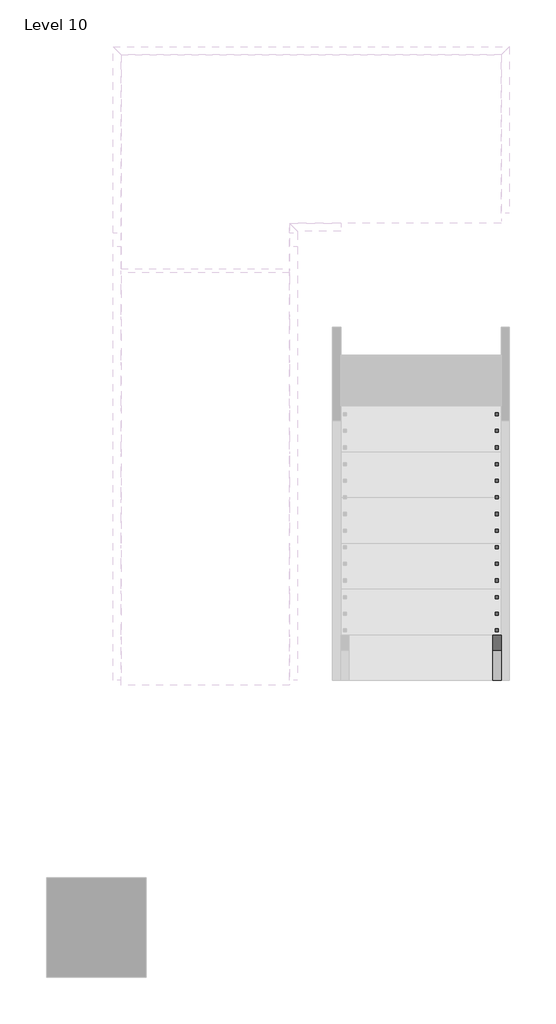
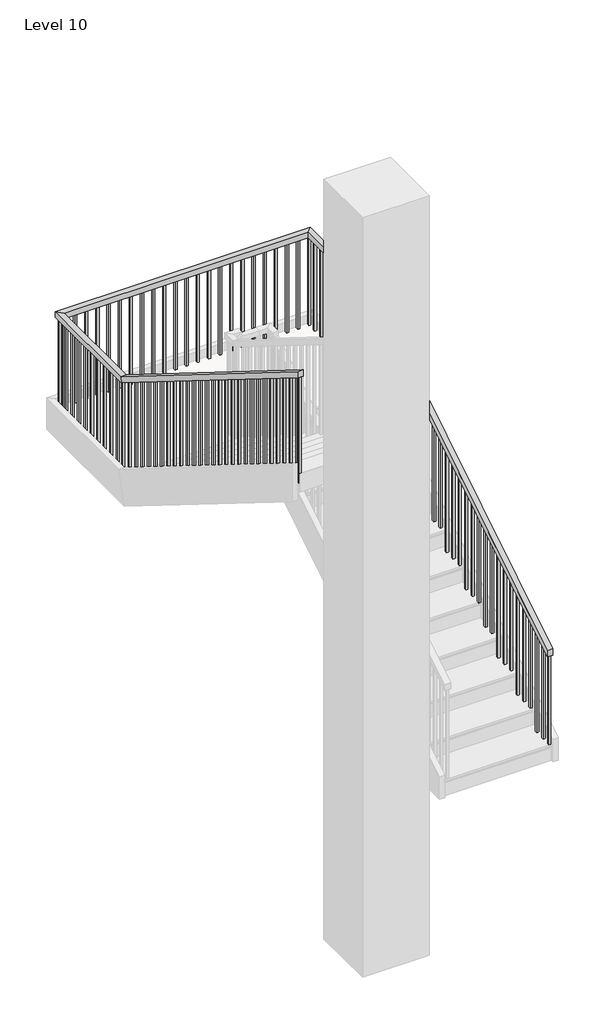
# One storey, part 15 of 16: 1 railing.
"""IFC4 building model written with IfcOpenShell, lengths in millimetres."""

from ifc_helpers import new_model, si_unit, frame, origin, place, context, project, spatial, polyline, outline, extrude, faceted_brep, element, save

model = new_model("IFC4")

# Units and contexts
model_context = context("Model", 3, world=origin())
ifc_project = project(units=[si_unit("LENGTHUNIT", "METRE", prefix="MILLI")], contexts=[model_context])

# Site, building, storey
site = spatial("IfcSite", under=ifc_project)
building = spatial("IfcBuilding", under=site)
storey = spatial("IfcBuildingStorey", under=building, Name="Level 10", Elevation=36118.8)

# Railing
placement = place(None, origin())
element("IfcRailing", 1, ObjectType="Handrail - Rectangular", at=placement, inside=storey, context=model_context, shape_type="SolidModel", body=[
    faceted_brep([(8455.0069555, 2625.4460566, 37207.3714286), (8455.0069555, 2625.4460566, 37147.5093152), (8505.8069555, 2625.4460566, 37147.5093152), (8505.8069555, 2625.4460566, 37207.3714286), (8455.0069555, 5419.4460566, 38949.0857143), (8455.0069555, 5433.9831967, 38898.2857143), (8505.8069555, 5433.9831967, 38898.2857143), (8505.8069555, 5419.4460566, 38949.0857143), (8455.0069555, 6396.9720312, 38949.0857143), (8455.0069555, 6396.9720312, 38898.2857143), (8505.8069555, 6447.7720312, 38898.2857143), (8505.8069555, 6447.7720312, 38949.0857143), (6232.5069555, 6396.9720312, 38949.0857143), (6232.5069555, 6396.9720312, 38898.2857143), (6181.7069555, 6447.7720312, 38898.2857143), (6181.7069555, 6447.7720312, 38949.0857143), (6232.5069555, 5419.4460566, 38949.0857143), (6232.5069555, 5404.9089165, 38898.2857143), (6181.7069555, 5404.9089165, 38898.2857143), (6181.7069555, 5419.4460566, 38949.0857143), (6232.5069555, 2625.4460566, 40690.8), (6181.7069555, 2625.4460566, 40690.8), (6181.7069555, 2625.4460566, 40630.9378867), (6232.5069555, 2625.4460566, 40630.9378867)], [[[0, 1, 2, 3]], [[1, 0, 4, 5]], [[2, 1, 5, 6]], [[3, 2, 6, 7]], [[0, 3, 7, 4]], [[5, 4, 8, 9]], [[6, 5, 9, 10]], [[7, 6, 10, 11]], [[4, 7, 11, 8]], [[9, 8, 12, 13]], [[10, 9, 13, 14]], [[11, 10, 14, 15]], [[8, 11, 15, 12]], [[13, 12, 16, 17]], [[14, 13, 17, 18]], [[15, 14, 18, 19]], [[12, 15, 19, 16]], [[20, 21, 22, 23]], [[17, 16, 20, 23]], [[18, 17, 23, 22]], [[19, 18, 22, 21]], [[16, 19, 21, 20]]]),
    extrude(outline(polyline([(2666.7210566, 40605.2080165), (2685.7710566, 40593.3326919), (2685.7710566, 39602.2285714), (2666.7210566, 39602.2285714), (2666.7210566, 40605.2080165)])), frame((6197.5819555, 0.0, 0.0), z_axis=(1.0, 0.0, 0.0), x_axis=(0.0, 1.0, 0.0)), (0.0, 0.0, 1.0), 19.05),
    extrude(outline(polyline([(2768.3210566, 40541.8729516), (2787.3710566, 40529.9976269), (2787.3710566, 39602.2285714), (2768.3210566, 39602.2285714), (2768.3210566, 40541.8729516)])), frame((6197.5819555, 0.0, 0.0), z_axis=(1.0, 0.0, 0.0), x_axis=(0.0, 1.0, 0.0)), (0.0, 0.0, 1.0), 19.05),
    extrude(outline(polyline([(2869.9210566, 40478.5378867), (2888.9710566, 40466.662562), (2888.9710566, 39602.2285714), (2869.9210566, 39602.2285714), (2869.9210566, 40478.5378867)])), frame((6197.5819555, 0.0, 0.0), z_axis=(1.0, 0.0, 0.0), x_axis=(0.0, 1.0, 0.0)), (0.0, 0.0, 1.0), 19.05),
    extrude(outline(polyline([(2971.5210566, 40415.2028217), (2990.5710566, 40403.3274971), (2990.5710566, 39428.0571429), (2971.5210566, 39428.0571429), (2971.5210566, 40415.2028217)])), frame((6197.5819555, 0.0, 0.0), z_axis=(1.0, 0.0, 0.0), x_axis=(0.0, 1.0, 0.0)), (0.0, 0.0, 1.0), 19.05),
    extrude(outline(polyline([(3073.1210566, 40351.8677568), (3092.1710566, 40339.9924321), (3092.1710566, 39428.0571429), (3073.1210566, 39428.0571429), (3073.1210566, 40351.8677568)])), frame((6197.5819555, 0.0, 0.0), z_axis=(1.0, 0.0, 0.0), x_axis=(0.0, 1.0, 0.0)), (0.0, 0.0, 1.0), 19.05),
    extrude(outline(polyline([(3174.7210566, 40288.5326919), (3193.7710566, 40276.6573672), (3193.7710566, 39428.0571429), (3174.7210566, 39428.0571429), (3174.7210566, 40288.5326919)])), frame((6197.5819555, 0.0, 0.0), z_axis=(1.0, 0.0, 0.0), x_axis=(0.0, 1.0, 0.0)), (0.0, 0.0, 1.0), 19.05),
    extrude(outline(polyline([(3276.3210566, 40225.1976269), (3295.3710566, 40213.3223023), (3295.3710566, 39253.8857143), (3276.3210566, 39253.8857143), (3276.3210566, 40225.1976269)])), frame((6197.5819555, 0.0, 0.0), z_axis=(1.0, 0.0, 0.0), x_axis=(0.0, 1.0, 0.0)), (0.0, 0.0, 1.0), 19.05),
    extrude(outline(polyline([(3377.9210566, 40161.862562), (3396.9710566, 40149.9872373), (3396.9710566, 39253.8857143), (3377.9210566, 39253.8857143), (3377.9210566, 40161.862562)])), frame((6197.5819555, 0.0, 0.0), z_axis=(1.0, 0.0, 0.0), x_axis=(0.0, 1.0, 0.0)), (0.0, 0.0, 1.0), 19.05),
    extrude(outline(polyline([(3479.5210566, 40098.5274971), (3498.5710566, 40086.6521724), (3498.5710566, 39079.7142857), (3479.5210566, 39079.7142857), (3479.5210566, 40098.5274971)])), frame((6197.5819555, 0.0, 0.0), z_axis=(1.0, 0.0, 0.0), x_axis=(0.0, 1.0, 0.0)), (0.0, 0.0, 1.0), 19.05),
    extrude(outline(polyline([(3581.1210566, 40035.1924321), (3600.1710566, 40023.3171074), (3600.1710566, 39079.7142857), (3581.1210566, 39079.7142857), (3581.1210566, 40035.1924321)])), frame((6197.5819555, 0.0, 0.0), z_axis=(1.0, 0.0, 0.0), x_axis=(0.0, 1.0, 0.0)), (0.0, 0.0, 1.0), 19.05),
    extrude(outline(polyline([(3682.7210566, 39971.8573672), (3701.7710566, 39959.9820425), (3701.7710566, 39079.7142857), (3682.7210566, 39079.7142857), (3682.7210566, 39971.8573672)])), frame((6197.5819555, 0.0, 0.0), z_axis=(1.0, 0.0, 0.0), x_axis=(0.0, 1.0, 0.0)), (0.0, 0.0, 1.0), 19.05),
    extrude(outline(polyline([(3784.3210566, 39908.5223023), (3803.3710566, 39896.6469776), (3803.3710566, 38905.5428571), (3784.3210566, 38905.5428571), (3784.3210566, 39908.5223023)])), frame((6197.5819555, 0.0, 0.0), z_axis=(1.0, 0.0, 0.0), x_axis=(0.0, 1.0, 0.0)), (0.0, 0.0, 1.0), 19.05),
    extrude(outline(polyline([(3885.9210566, 39845.1872373), (3904.9710566, 39833.3119126), (3904.9710566, 38905.5428571), (3885.9210566, 38905.5428571), (3885.9210566, 39845.1872373)])), frame((6197.5819555, 0.0, 0.0), z_axis=(1.0, 0.0, 0.0), x_axis=(0.0, 1.0, 0.0)), (0.0, 0.0, 1.0), 19.05),
    extrude(outline(polyline([(3987.5210566, 39781.8521724), (4006.5710566, 39769.9768477), (4006.5710566, 38905.5428571), (3987.5210566, 38905.5428571), (3987.5210566, 39781.8521724)])), frame((6197.5819555, 0.0, 0.0), z_axis=(1.0, 0.0, 0.0), x_axis=(0.0, 1.0, 0.0)), (0.0, 0.0, 1.0), 19.05),
    extrude(outline(polyline([(4089.1210566, 39718.5171074), (4108.1710566, 39706.6417828), (4108.1710566, 38731.3714286), (4089.1210566, 38731.3714286), (4089.1210566, 39718.5171074)])), frame((6197.5819555, 0.0, 0.0), z_axis=(1.0, 0.0, 0.0), x_axis=(0.0, 1.0, 0.0)), (0.0, 0.0, 1.0), 19.05),
    extrude(outline(polyline([(4190.7210566, 39655.1820425), (4209.7710566, 39643.3067178), (4209.7710566, 38731.3714286), (4190.7210566, 38731.3714286), (4190.7210566, 39655.1820425)])), frame((6197.5819555, 0.0, 0.0), z_axis=(1.0, 0.0, 0.0), x_axis=(0.0, 1.0, 0.0)), (0.0, 0.0, 1.0), 19.05),
    extrude(outline(polyline([(4292.3210566, 39591.8469776), (4311.3710566, 39579.9716529), (4311.3710566, 38731.3714286), (4292.3210566, 38731.3714286), (4292.3210566, 39591.8469776)])), frame((6197.5819555, 0.0, 0.0), z_axis=(1.0, 0.0, 0.0), x_axis=(0.0, 1.0, 0.0)), (0.0, 0.0, 1.0), 19.05),
    extrude(outline(polyline([(4393.9210566, 39528.5119126), (4412.9710566, 39516.636588), (4412.9710566, 38557.2), (4393.9210566, 38557.2), (4393.9210566, 39528.5119126)])), frame((6197.5819555, 0.0, 0.0), z_axis=(1.0, 0.0, 0.0), x_axis=(0.0, 1.0, 0.0)), (0.0, 0.0, 1.0), 19.05),
    extrude(outline(polyline([(4495.5210566, 39465.1768477), (4514.5710566, 39453.301523), (4514.5710566, 38557.2), (4495.5210566, 38557.2), (4495.5210566, 39465.1768477)])), frame((6197.5819555, 0.0, 0.0), z_axis=(1.0, 0.0, 0.0), x_axis=(0.0, 1.0, 0.0)), (0.0, 0.0, 1.0), 19.05),
    extrude(outline(polyline([(4597.1210566, 39401.8417828), (4616.1710566, 39389.9664581), (4616.1710566, 38383.0285714), (4597.1210566, 38383.0285714), (4597.1210566, 39401.8417828)])), frame((6197.5819555, 0.0, 0.0), z_axis=(1.0, 0.0, 0.0), x_axis=(0.0, 1.0, 0.0)), (0.0, 0.0, 1.0), 19.05),
    extrude(outline(polyline([(4698.7210566, 39338.5067178), (4717.7710566, 39326.6313932), (4717.7710566, 38383.0285714), (4698.7210566, 38383.0285714), (4698.7210566, 39338.5067178)])), frame((6197.5819555, 0.0, 0.0), z_axis=(1.0, 0.0, 0.0), x_axis=(0.0, 1.0, 0.0)), (0.0, 0.0, 1.0), 19.05),
    extrude(outline(polyline([(4800.3210566, 39275.1716529), (4819.3710566, 39263.2963282), (4819.3710566, 38383.0285714), (4800.3210566, 38383.0285714), (4800.3210566, 39275.1716529)])), frame((6197.5819555, 0.0, 0.0), z_axis=(1.0, 0.0, 0.0), x_axis=(0.0, 1.0, 0.0)), (0.0, 0.0, 1.0), 19.05),
    extrude(outline(polyline([(4901.9210566, 39211.836588), (4920.9710566, 39199.9612633), (4920.9710566, 38208.8571429), (4901.9210566, 38208.8571429), (4901.9210566, 39211.836588)])), frame((6197.5819555, 0.0, 0.0), z_axis=(1.0, 0.0, 0.0), x_axis=(0.0, 1.0, 0.0)), (0.0, 0.0, 1.0), 19.05),
    extrude(outline(polyline([(5003.5210566, 39148.501523), (5022.5710566, 39136.6261984), (5022.5710566, 38208.8571429), (5003.5210566, 38208.8571429), (5003.5210566, 39148.501523)])), frame((6197.5819555, 0.0, 0.0), z_axis=(1.0, 0.0, 0.0), x_axis=(0.0, 1.0, 0.0)), (0.0, 0.0, 1.0), 19.05),
    extrude(outline(polyline([(5105.1210566, 39085.1664581), (5124.1710566, 39073.2911334), (5124.1710566, 38208.8571429), (5105.1210566, 38208.8571429), (5105.1210566, 39085.1664581)])), frame((6197.5819555, 0.0, 0.0), z_axis=(1.0, 0.0, 0.0), x_axis=(0.0, 1.0, 0.0)), (0.0, 0.0, 1.0), 19.05),
    extrude(outline(polyline([(5206.7210566, 39021.8313932), (5225.7710566, 39009.9560685), (5225.7710566, 38034.6857143), (5206.7210566, 38034.6857143), (5206.7210566, 39021.8313932)])), frame((6197.5819555, 0.0, 0.0), z_axis=(1.0, 0.0, 0.0), x_axis=(0.0, 1.0, 0.0)), (0.0, 0.0, 1.0), 19.05),
    extrude(outline(polyline([(5308.3210566, 38958.4963282), (5327.3710566, 38946.6210036), (5327.3710566, 38034.6857143), (5308.3210566, 38034.6857143), (5308.3210566, 38958.4963282)])), frame((6197.5819555, 0.0, 0.0), z_axis=(1.0, 0.0, 0.0), x_axis=(0.0, 1.0, 0.0)), (0.0, 0.0, 1.0), 19.05),
    extrude(outline(polyline([(6197.5819555, 5517.4970312), (6216.6319555, 5517.4970312), (6216.6319555, 5498.4470312), (6197.5819555, 5498.4470312), (6197.5819555, 5517.4970312)])), frame((0.0, 0.0, 38034.6857143), z_axis=(0.0, 0.0, 1.0), x_axis=(1.0, 0.0, 0.0)), (0.0, 0.0, 1.0), 863.6),
    extrude(outline(polyline([(6197.5819555, 5619.0970312), (6216.6319555, 5619.0970312), (6216.6319555, 5600.0470312), (6197.5819555, 5600.0470312), (6197.5819555, 5619.0970312)])), frame((0.0, 0.0, 38034.6857143), z_axis=(0.0, 0.0, 1.0), x_axis=(1.0, 0.0, 0.0)), (0.0, 0.0, 1.0), 863.6),
    extrude(outline(polyline([(6197.5819555, 5720.6970312), (6216.6319555, 5720.6970312), (6216.6319555, 5701.6470312), (6197.5819555, 5701.6470312), (6197.5819555, 5720.6970312)])), frame((0.0, 0.0, 38034.6857143), z_axis=(0.0, 0.0, 1.0), x_axis=(1.0, 0.0, 0.0)), (0.0, 0.0, 1.0), 863.6),
    extrude(outline(polyline([(6197.5819555, 5822.2970312), (6216.6319555, 5822.2970312), (6216.6319555, 5803.2470312), (6197.5819555, 5803.2470312), (6197.5819555, 5822.2970312)])), frame((0.0, 0.0, 38034.6857143), z_axis=(0.0, 0.0, 1.0), x_axis=(1.0, 0.0, 0.0)), (0.0, 0.0, 1.0), 863.6),
    extrude(outline(polyline([(6197.5819555, 5923.8970312), (6216.6319555, 5923.8970312), (6216.6319555, 5904.8470312), (6197.5819555, 5904.8470312), (6197.5819555, 5923.8970312)])), frame((0.0, 0.0, 38034.6857143), z_axis=(0.0, 0.0, 1.0), x_axis=(1.0, 0.0, 0.0)), (0.0, 0.0, 1.0), 863.6),
    extrude(outline(polyline([(6197.5819555, 6025.4970312), (6216.6319555, 6025.4970312), (6216.6319555, 6006.4470312), (6197.5819555, 6006.4470312), (6197.5819555, 6025.4970312)])), frame((0.0, 0.0, 38034.6857143), z_axis=(0.0, 0.0, 1.0), x_axis=(1.0, 0.0, 0.0)), (0.0, 0.0, 1.0), 863.6),
    extrude(outline(polyline([(6197.5819555, 6127.0970312), (6216.6319555, 6127.0970312), (6216.6319555, 6108.0470312), (6197.5819555, 6108.0470312), (6197.5819555, 6127.0970312)])), frame((0.0, 0.0, 38034.6857143), z_axis=(0.0, 0.0, 1.0), x_axis=(1.0, 0.0, 0.0)), (0.0, 0.0, 1.0), 863.6),
    extrude(outline(polyline([(6197.5819555, 6228.6970312), (6216.6319555, 6228.6970312), (6216.6319555, 6209.6470312), (6197.5819555, 6209.6470312), (6197.5819555, 6228.6970312)])), frame((0.0, 0.0, 38034.6857143), z_axis=(0.0, 0.0, 1.0), x_axis=(1.0, 0.0, 0.0)), (0.0, 0.0, 1.0), 863.6),
    extrude(outline(polyline([(6197.5819555, 6330.2970312), (6216.6319555, 6330.2970312), (6216.6319555, 6311.2470312), (6197.5819555, 6311.2470312), (6197.5819555, 6330.2970312)])), frame((0.0, 0.0, 38034.6857143), z_axis=(0.0, 0.0, 1.0), x_axis=(1.0, 0.0, 0.0)), (0.0, 0.0, 1.0), 863.6),
    extrude(outline(polyline([(6254.7319555, 6431.8970312), (6254.7319555, 6412.8470312), (6235.6819555, 6412.8470312), (6235.6819555, 6431.8970312), (6254.7319555, 6431.8970312)])), frame((0.0, 0.0, 38034.6857143), z_axis=(0.0, 0.0, 1.0), x_axis=(1.0, 0.0, 0.0)), (0.0, 0.0, 1.0), 863.6),
    extrude(outline(polyline([(6356.3319555, 6431.8970312), (6356.3319555, 6412.8470312), (6337.2819555, 6412.8470312), (6337.2819555, 6431.8970312), (6356.3319555, 6431.8970312)])), frame((0.0, 0.0, 38034.6857143), z_axis=(0.0, 0.0, 1.0), x_axis=(1.0, 0.0, 0.0)), (0.0, 0.0, 1.0), 863.6),
    extrude(outline(polyline([(6457.9319555, 6431.8970312), (6457.9319555, 6412.8470312), (6438.8819555, 6412.8470312), (6438.8819555, 6431.8970312), (6457.9319555, 6431.8970312)])), frame((0.0, 0.0, 38034.6857143), z_axis=(0.0, 0.0, 1.0), x_axis=(1.0, 0.0, 0.0)), (0.0, 0.0, 1.0), 863.6),
    extrude(outline(polyline([(6559.5319555, 6431.8970312), (6559.5319555, 6412.8470312), (6540.4819555, 6412.8470312), (6540.4819555, 6431.8970312), (6559.5319555, 6431.8970312)])), frame((0.0, 0.0, 38034.6857143), z_axis=(0.0, 0.0, 1.0), x_axis=(1.0, 0.0, 0.0)), (0.0, 0.0, 1.0), 863.6),
    extrude(outline(polyline([(6661.1319555, 6431.8970312), (6661.1319555, 6412.8470312), (6642.0819555, 6412.8470312), (6642.0819555, 6431.8970312), (6661.1319555, 6431.8970312)])), frame((0.0, 0.0, 38034.6857143), z_axis=(0.0, 0.0, 1.0), x_axis=(1.0, 0.0, 0.0)), (0.0, 0.0, 1.0), 863.6),
    extrude(outline(polyline([(6762.7319555, 6431.8970312), (6762.7319555, 6412.8470312), (6743.6819555, 6412.8470312), (6743.6819555, 6431.8970312), (6762.7319555, 6431.8970312)])), frame((0.0, 0.0, 38034.6857143), z_axis=(0.0, 0.0, 1.0), x_axis=(1.0, 0.0, 0.0)), (0.0, 0.0, 1.0), 863.6),
    extrude(outline(polyline([(6864.3319555, 6431.8970312), (6864.3319555, 6412.8470312), (6845.2819555, 6412.8470312), (6845.2819555, 6431.8970312), (6864.3319555, 6431.8970312)])), frame((0.0, 0.0, 38034.6857143), z_axis=(0.0, 0.0, 1.0), x_axis=(1.0, 0.0, 0.0)), (0.0, 0.0, 1.0), 863.6),
    extrude(outline(polyline([(6965.9319555, 6431.8970312), (6965.9319555, 6412.8470312), (6946.8819555, 6412.8470312), (6946.8819555, 6431.8970312), (6965.9319555, 6431.8970312)])), frame((0.0, 0.0, 38034.6857143), z_axis=(0.0, 0.0, 1.0), x_axis=(1.0, 0.0, 0.0)), (0.0, 0.0, 1.0), 863.6),
    extrude(outline(polyline([(7067.5319555, 6431.8970312), (7067.5319555, 6412.8470312), (7048.4819555, 6412.8470312), (7048.4819555, 6431.8970312), (7067.5319555, 6431.8970312)])), frame((0.0, 0.0, 38034.6857143), z_axis=(0.0, 0.0, 1.0), x_axis=(1.0, 0.0, 0.0)), (0.0, 0.0, 1.0), 863.6),
    extrude(outline(polyline([(7169.1319555, 6431.8970312), (7169.1319555, 6412.8470312), (7150.0819555, 6412.8470312), (7150.0819555, 6431.8970312), (7169.1319555, 6431.8970312)])), frame((0.0, 0.0, 38034.6857143), z_axis=(0.0, 0.0, 1.0), x_axis=(1.0, 0.0, 0.0)), (0.0, 0.0, 1.0), 863.6),
    extrude(outline(polyline([(7270.7319555, 6431.8970312), (7270.7319555, 6412.8470312), (7251.6819555, 6412.8470312), (7251.6819555, 6431.8970312), (7270.7319555, 6431.8970312)])), frame((0.0, 0.0, 38034.6857143), z_axis=(0.0, 0.0, 1.0), x_axis=(1.0, 0.0, 0.0)), (0.0, 0.0, 1.0), 863.6),
    extrude(outline(polyline([(7372.3319555, 6431.8970312), (7372.3319555, 6412.8470312), (7353.2819555, 6412.8470312), (7353.2819555, 6431.8970312), (7372.3319555, 6431.8970312)])), frame((0.0, 0.0, 38034.6857143), z_axis=(0.0, 0.0, 1.0), x_axis=(1.0, 0.0, 0.0)), (0.0, 0.0, 1.0), 863.6),
    extrude(outline(polyline([(7473.9319555, 6431.8970312), (7473.9319555, 6412.8470312), (7454.8819555, 6412.8470312), (7454.8819555, 6431.8970312), (7473.9319555, 6431.8970312)])), frame((0.0, 0.0, 38034.6857143), z_axis=(0.0, 0.0, 1.0), x_axis=(1.0, 0.0, 0.0)), (0.0, 0.0, 1.0), 863.6),
    extrude(outline(polyline([(7575.5319555, 6431.8970312), (7575.5319555, 6412.8470312), (7556.4819555, 6412.8470312), (7556.4819555, 6431.8970312), (7575.5319555, 6431.8970312)])), frame((0.0, 0.0, 38034.6857143), z_axis=(0.0, 0.0, 1.0), x_axis=(1.0, 0.0, 0.0)), (0.0, 0.0, 1.0), 863.6),
    extrude(outline(polyline([(7677.1319555, 6431.8970312), (7677.1319555, 6412.8470312), (7658.0819555, 6412.8470312), (7658.0819555, 6431.8970312), (7677.1319555, 6431.8970312)])), frame((0.0, 0.0, 38034.6857143), z_axis=(0.0, 0.0, 1.0), x_axis=(1.0, 0.0, 0.0)), (0.0, 0.0, 1.0), 863.6),
    extrude(outline(polyline([(7778.7319555, 6431.8970312), (7778.7319555, 6412.8470312), (7759.6819555, 6412.8470312), (7759.6819555, 6431.8970312), (7778.7319555, 6431.8970312)])), frame((0.0, 0.0, 38034.6857143), z_axis=(0.0, 0.0, 1.0), x_axis=(1.0, 0.0, 0.0)), (0.0, 0.0, 1.0), 863.6),
    extrude(outline(polyline([(7880.3319555, 6431.8970312), (7880.3319555, 6412.8470312), (7861.2819555, 6412.8470312), (7861.2819555, 6431.8970312), (7880.3319555, 6431.8970312)])), frame((0.0, 0.0, 38034.6857143), z_axis=(0.0, 0.0, 1.0), x_axis=(1.0, 0.0, 0.0)), (0.0, 0.0, 1.0), 863.6),
    extrude(outline(polyline([(7981.9319555, 6431.8970312), (7981.9319555, 6412.8470312), (7962.8819555, 6412.8470312), (7962.8819555, 6431.8970312), (7981.9319555, 6431.8970312)])), frame((0.0, 0.0, 38034.6857143), z_axis=(0.0, 0.0, 1.0), x_axis=(1.0, 0.0, 0.0)), (0.0, 0.0, 1.0), 863.6),
    extrude(outline(polyline([(8083.5319555, 6431.8970312), (8083.5319555, 6412.8470312), (8064.4819555, 6412.8470312), (8064.4819555, 6431.8970312), (8083.5319555, 6431.8970312)])), frame((0.0, 0.0, 38034.6857143), z_axis=(0.0, 0.0, 1.0), x_axis=(1.0, 0.0, 0.0)), (0.0, 0.0, 1.0), 863.6),
    extrude(outline(polyline([(8185.1319555, 6431.8970312), (8185.1319555, 6412.8470312), (8166.0819555, 6412.8470312), (8166.0819555, 6431.8970312), (8185.1319555, 6431.8970312)])), frame((0.0, 0.0, 38034.6857143), z_axis=(0.0, 0.0, 1.0), x_axis=(1.0, 0.0, 0.0)), (0.0, 0.0, 1.0), 863.6),
    extrude(outline(polyline([(8286.7319555, 6431.8970312), (8286.7319555, 6412.8470312), (8267.6819555, 6412.8470312), (8267.6819555, 6431.8970312), (8286.7319555, 6431.8970312)])), frame((0.0, 0.0, 38034.6857143), z_axis=(0.0, 0.0, 1.0), x_axis=(1.0, 0.0, 0.0)), (0.0, 0.0, 1.0), 863.6),
    extrude(outline(polyline([(8388.3319555, 6431.8970312), (8388.3319555, 6412.8470312), (8369.2819555, 6412.8470312), (8369.2819555, 6431.8970312), (8388.3319555, 6431.8970312)])), frame((0.0, 0.0, 38034.6857143), z_axis=(0.0, 0.0, 1.0), x_axis=(1.0, 0.0, 0.0)), (0.0, 0.0, 1.0), 863.6),
    extrude(outline(polyline([(8489.9319555, 6324.3210566), (8470.8819555, 6324.3210566), (8470.8819555, 6343.3710566), (8489.9319555, 6343.3710566), (8489.9319555, 6324.3210566)])), frame((0.0, 0.0, 38034.6857143), z_axis=(0.0, 0.0, 1.0), x_axis=(1.0, 0.0, 0.0)), (0.0, 0.0, 1.0), 863.6),
    extrude(outline(polyline([(8489.9319555, 6222.7210566), (8470.8819555, 6222.7210566), (8470.8819555, 6241.7710566), (8489.9319555, 6241.7710566), (8489.9319555, 6222.7210566)])), frame((0.0, 0.0, 38034.6857143), z_axis=(0.0, 0.0, 1.0), x_axis=(1.0, 0.0, 0.0)), (0.0, 0.0, 1.0), 863.6),
    extrude(outline(polyline([(8489.9319555, 6121.1210566), (8470.8819555, 6121.1210566), (8470.8819555, 6140.1710566), (8489.9319555, 6140.1710566), (8489.9319555, 6121.1210566)])), frame((0.0, 0.0, 38034.6857143), z_axis=(0.0, 0.0, 1.0), x_axis=(1.0, 0.0, 0.0)), (0.0, 0.0, 1.0), 863.6),
    extrude(outline(polyline([(8489.9319555, 6019.5210566), (8470.8819555, 6019.5210566), (8470.8819555, 6038.5710566), (8489.9319555, 6038.5710566), (8489.9319555, 6019.5210566)])), frame((0.0, 0.0, 38034.6857143), z_axis=(0.0, 0.0, 1.0), x_axis=(1.0, 0.0, 0.0)), (0.0, 0.0, 1.0), 863.6),
    extrude(outline(polyline([(8489.9319555, 5917.9210566), (8470.8819555, 5917.9210566), (8470.8819555, 5936.9710566), (8489.9319555, 5936.9710566), (8489.9319555, 5917.9210566)])), frame((0.0, 0.0, 38034.6857143), z_axis=(0.0, 0.0, 1.0), x_axis=(1.0, 0.0, 0.0)), (0.0, 0.0, 1.0), 863.6),
    extrude(outline(polyline([(8489.9319555, 5816.3210566), (8470.8819555, 5816.3210566), (8470.8819555, 5835.3710566), (8489.9319555, 5835.3710566), (8489.9319555, 5816.3210566)])), frame((0.0, 0.0, 38034.6857143), z_axis=(0.0, 0.0, 1.0), x_axis=(1.0, 0.0, 0.0)), (0.0, 0.0, 1.0), 863.6),
    extrude(outline(polyline([(8489.9319555, 5714.7210566), (8470.8819555, 5714.7210566), (8470.8819555, 5733.7710566), (8489.9319555, 5733.7710566), (8489.9319555, 5714.7210566)])), frame((0.0, 0.0, 38034.6857143), z_axis=(0.0, 0.0, 1.0), x_axis=(1.0, 0.0, 0.0)), (0.0, 0.0, 1.0), 863.6),
    extrude(outline(polyline([(8489.9319555, 5613.1210566), (8470.8819555, 5613.1210566), (8470.8819555, 5632.1710566), (8489.9319555, 5632.1710566), (8489.9319555, 5613.1210566)])), frame((0.0, 0.0, 38034.6857143), z_axis=(0.0, 0.0, 1.0), x_axis=(1.0, 0.0, 0.0)), (0.0, 0.0, 1.0), 863.6),
    extrude(outline(polyline([(8489.9319555, 5511.5210566), (8470.8819555, 5511.5210566), (8470.8819555, 5530.5710566), (8489.9319555, 5530.5710566), (8489.9319555, 5511.5210566)])), frame((0.0, 0.0, 38034.6857143), z_axis=(0.0, 0.0, 1.0), x_axis=(1.0, 0.0, 0.0)), (0.0, 0.0, 1.0), 863.6),
    extrude(outline(polyline([(5359.1210566, 38851.6184061), (5378.1710566, 38863.4937308), (5378.1710566, 37860.5142857), (5359.1210566, 37860.5142857), (5359.1210566, 38851.6184061)])), frame((8470.8819555, 0.0, 0.0), z_axis=(1.0, 0.0, 0.0), x_axis=(0.0, 1.0, 0.0)), (0.0, 0.0, 1.0), 19.05),
    extrude(outline(polyline([(5257.5210566, 38788.2833412), (5276.5710566, 38800.1586659), (5276.5710566, 37860.5142857), (5257.5210566, 37860.5142857), (5257.5210566, 38788.2833412)])), frame((8470.8819555, 0.0, 0.0), z_axis=(1.0, 0.0, 0.0), x_axis=(0.0, 1.0, 0.0)), (0.0, 0.0, 1.0), 19.05),
    extrude(outline(polyline([(5155.9210566, 38724.9482763), (5174.9710566, 38736.823601), (5174.9710566, 37860.5142857), (5155.9210566, 37860.5142857), (5155.9210566, 38724.9482763)])), frame((8470.8819555, 0.0, 0.0), z_axis=(1.0, 0.0, 0.0), x_axis=(0.0, 1.0, 0.0)), (0.0, 0.0, 1.0), 19.05),
    extrude(outline(polyline([(5054.3210566, 38661.6132113), (5073.3710566, 38673.488536), (5073.3710566, 37686.3428571), (5054.3210566, 37686.3428571), (5054.3210566, 38661.6132113)])), frame((8470.8819555, 0.0, 0.0), z_axis=(1.0, 0.0, 0.0), x_axis=(0.0, 1.0, 0.0)), (0.0, 0.0, 1.0), 19.05),
    extrude(outline(polyline([(4952.7210566, 38598.2781464), (4971.7710566, 38610.1534711), (4971.7710566, 37686.3428571), (4952.7210566, 37686.3428571), (4952.7210566, 38598.2781464)])), frame((8470.8819555, 0.0, 0.0), z_axis=(1.0, 0.0, 0.0), x_axis=(0.0, 1.0, 0.0)), (0.0, 0.0, 1.0), 19.05),
    extrude(outline(polyline([(4851.1210566, 38534.9430815), (4870.1710566, 38546.8184061), (4870.1710566, 37686.3428571), (4851.1210566, 37686.3428571), (4851.1210566, 38534.9430815)])), frame((8470.8819555, 0.0, 0.0), z_axis=(1.0, 0.0, 0.0), x_axis=(0.0, 1.0, 0.0)), (0.0, 0.0, 1.0), 19.05),
    extrude(outline(polyline([(4749.5210566, 38471.6080165), (4768.5710566, 38483.4833412), (4768.5710566, 37512.1714286), (4749.5210566, 37512.1714286), (4749.5210566, 38471.6080165)])), frame((8470.8819555, 0.0, 0.0), z_axis=(1.0, 0.0, 0.0), x_axis=(0.0, 1.0, 0.0)), (0.0, 0.0, 1.0), 19.05),
    extrude(outline(polyline([(4647.9210566, 38408.2729516), (4666.9710566, 38420.1482763), (4666.9710566, 37512.1714286), (4647.9210566, 37512.1714286), (4647.9210566, 38408.2729516)])), frame((8470.8819555, 0.0, 0.0), z_axis=(1.0, 0.0, 0.0), x_axis=(0.0, 1.0, 0.0)), (0.0, 0.0, 1.0), 19.05),
    extrude(outline(polyline([(4546.3210566, 38344.9378867), (4565.3710566, 38356.8132113), (4565.3710566, 37338.0), (4546.3210566, 37338.0), (4546.3210566, 38344.9378867)])), frame((8470.8819555, 0.0, 0.0), z_axis=(1.0, 0.0, 0.0), x_axis=(0.0, 1.0, 0.0)), (0.0, 0.0, 1.0), 19.05),
    extrude(outline(polyline([(4444.7210566, 38281.6028217), (4463.7710566, 38293.4781464), (4463.7710566, 37338.0), (4444.7210566, 37338.0), (4444.7210566, 38281.6028217)])), frame((8470.8819555, 0.0, 0.0), z_axis=(1.0, 0.0, 0.0), x_axis=(0.0, 1.0, 0.0)), (0.0, 0.0, 1.0), 19.05),
    extrude(outline(polyline([(4343.1210566, 38218.2677568), (4362.1710566, 38230.1430815), (4362.1710566, 37338.0), (4343.1210566, 37338.0), (4343.1210566, 38218.2677568)])), frame((8470.8819555, 0.0, 0.0), z_axis=(1.0, 0.0, 0.0), x_axis=(0.0, 1.0, 0.0)), (0.0, 0.0, 1.0), 19.05),
    extrude(outline(polyline([(4241.5210566, 38154.9326919), (4260.5710566, 38166.8080165), (4260.5710566, 37163.8285714), (4241.5210566, 37163.8285714), (4241.5210566, 38154.9326919)])), frame((8470.8819555, 0.0, 0.0), z_axis=(1.0, 0.0, 0.0), x_axis=(0.0, 1.0, 0.0)), (0.0, 0.0, 1.0), 19.05),
    extrude(outline(polyline([(4139.9210566, 38091.5976269), (4158.9710566, 38103.4729516), (4158.9710566, 37163.8285714), (4139.9210566, 37163.8285714), (4139.9210566, 38091.5976269)])), frame((8470.8819555, 0.0, 0.0), z_axis=(1.0, 0.0, 0.0), x_axis=(0.0, 1.0, 0.0)), (0.0, 0.0, 1.0), 19.05),
    extrude(outline(polyline([(4038.3210566, 38028.262562), (4057.3710566, 38040.1378867), (4057.3710566, 37163.8285714), (4038.3210566, 37163.8285714), (4038.3210566, 38028.262562)])), frame((8470.8819555, 0.0, 0.0), z_axis=(1.0, 0.0, 0.0), x_axis=(0.0, 1.0, 0.0)), (0.0, 0.0, 1.0), 19.05),
    extrude(outline(polyline([(3936.7210566, 37964.9274971), (3955.7710566, 37976.8028217), (3955.7710566, 36989.6571429), (3936.7210566, 36989.6571429), (3936.7210566, 37964.9274971)])), frame((8470.8819555, 0.0, 0.0), z_axis=(1.0, 0.0, 0.0), x_axis=(0.0, 1.0, 0.0)), (0.0, 0.0, 1.0), 19.05),
    extrude(outline(polyline([(3835.1210566, 37901.5924321), (3854.1710566, 37913.4677568), (3854.1710566, 36989.6571429), (3835.1210566, 36989.6571429), (3835.1210566, 37901.5924321)])), frame((8470.8819555, 0.0, 0.0), z_axis=(1.0, 0.0, 0.0), x_axis=(0.0, 1.0, 0.0)), (0.0, 0.0, 1.0), 19.05),
    extrude(outline(polyline([(3733.5210566, 37838.2573672), (3752.5710566, 37850.1326919), (3752.5710566, 36989.6571429), (3733.5210566, 36989.6571429), (3733.5210566, 37838.2573672)])), frame((8470.8819555, 0.0, 0.0), z_axis=(1.0, 0.0, 0.0), x_axis=(0.0, 1.0, 0.0)), (0.0, 0.0, 1.0), 19.05),
    extrude(outline(polyline([(3631.9210566, 37774.9223023), (3650.9710566, 37786.7976269), (3650.9710566, 36815.4857143), (3631.9210566, 36815.4857143), (3631.9210566, 37774.9223023)])), frame((8470.8819555, 0.0, 0.0), z_axis=(1.0, 0.0, 0.0), x_axis=(0.0, 1.0, 0.0)), (0.0, 0.0, 1.0), 19.05),
    extrude(outline(polyline([(3530.3210566, 37711.5872373), (3549.3710566, 37723.462562), (3549.3710566, 36815.4857143), (3530.3210566, 36815.4857143), (3530.3210566, 37711.5872373)])), frame((8470.8819555, 0.0, 0.0), z_axis=(1.0, 0.0, 0.0), x_axis=(0.0, 1.0, 0.0)), (0.0, 0.0, 1.0), 19.05),
    extrude(outline(polyline([(3428.7210566, 37648.2521724), (3447.7710566, 37660.1274971), (3447.7710566, 36641.3142857), (3428.7210566, 36641.3142857), (3428.7210566, 37648.2521724)])), frame((8470.8819555, 0.0, 0.0), z_axis=(1.0, 0.0, 0.0), x_axis=(0.0, 1.0, 0.0)), (0.0, 0.0, 1.0), 19.05),
    extrude(outline(polyline([(3327.1210566, 37584.9171074), (3346.1710566, 37596.7924321), (3346.1710566, 36641.3142857), (3327.1210566, 36641.3142857), (3327.1210566, 37584.9171074)])), frame((8470.8819555, 0.0, 0.0), z_axis=(1.0, 0.0, 0.0), x_axis=(0.0, 1.0, 0.0)), (0.0, 0.0, 1.0), 19.05),
    extrude(outline(polyline([(3225.5210566, 37521.5820425), (3244.5710566, 37533.4573672), (3244.5710566, 36641.3142857), (3225.5210566, 36641.3142857), (3225.5210566, 37521.5820425)])), frame((8470.8819555, 0.0, 0.0), z_axis=(1.0, 0.0, 0.0), x_axis=(0.0, 1.0, 0.0)), (0.0, 0.0, 1.0), 19.05),
    extrude(outline(polyline([(3123.9210566, 37458.2469776), (3142.9710566, 37470.1223023), (3142.9710566, 36467.1428571), (3123.9210566, 36467.1428571), (3123.9210566, 37458.2469776)])), frame((8470.8819555, 0.0, 0.0), z_axis=(1.0, 0.0, 0.0), x_axis=(0.0, 1.0, 0.0)), (0.0, 0.0, 1.0), 19.05),
    extrude(outline(polyline([(3022.3210566, 37394.9119126), (3041.3710566, 37406.7872373), (3041.3710566, 36467.1428571), (3022.3210566, 36467.1428571), (3022.3210566, 37394.9119126)])), frame((8470.8819555, 0.0, 0.0), z_axis=(1.0, 0.0, 0.0), x_axis=(0.0, 1.0, 0.0)), (0.0, 0.0, 1.0), 19.05),
    extrude(outline(polyline([(2920.7210566, 37331.5768477), (2939.7710566, 37343.4521724), (2939.7710566, 36467.1428571), (2920.7210566, 36467.1428571), (2920.7210566, 37331.5768477)])), frame((8470.8819555, 0.0, 0.0), z_axis=(1.0, 0.0, 0.0), x_axis=(0.0, 1.0, 0.0)), (0.0, 0.0, 1.0), 19.05),
    extrude(outline(polyline([(2819.1210566, 37268.2417828), (2838.1710566, 37280.1171074), (2838.1710566, 36292.9714286), (2819.1210566, 36292.9714286), (2819.1210566, 37268.2417828)])), frame((8470.8819555, 0.0, 0.0), z_axis=(1.0, 0.0, 0.0), x_axis=(0.0, 1.0, 0.0)), (0.0, 0.0, 1.0), 19.05),
    extrude(outline(polyline([(2717.5210566, 37204.9067178), (2736.5710566, 37216.7820425), (2736.5710566, 36292.9714286), (2717.5210566, 36292.9714286), (2717.5210566, 37204.9067178)])), frame((8470.8819555, 0.0, 0.0), z_axis=(1.0, 0.0, 0.0), x_axis=(0.0, 1.0, 0.0)), (0.0, 0.0, 1.0), 19.05),
    extrude(outline(polyline([(6197.5819555, 5428.9710566), (6216.6319555, 5428.9710566), (6216.6319555, 5409.9210566), (6197.5819555, 5409.9210566), (6197.5819555, 5428.9710566)])), frame((0.0, 0.0, 38034.6857143), z_axis=(0.0, 0.0, 1.0), x_axis=(1.0, 0.0, 0.0)), (0.0, 0.0, 1.0), 863.6),
    extrude(outline(polyline([(6216.6319555, 6431.8970312), (6216.6319555, 6412.8470312), (6197.5819555, 6412.8470312), (6197.5819555, 6431.8970312), (6216.6319555, 6431.8970312)])), frame((0.0, 0.0, 38034.6857143), z_axis=(0.0, 0.0, 1.0), x_axis=(1.0, 0.0, 0.0)), (0.0, 0.0, 1.0), 863.6),
    extrude(outline(polyline([(8489.9319555, 6412.8470312), (8470.8819555, 6412.8470312), (8470.8819555, 6431.8970312), (8489.9319555, 6431.8970312), (8489.9319555, 6412.8470312)])), frame((0.0, 0.0, 38034.6857143), z_axis=(0.0, 0.0, 1.0), x_axis=(1.0, 0.0, 0.0)), (0.0, 0.0, 1.0), 863.6),
    extrude(outline(polyline([(5409.9210566, 38883.2859386), (5428.9710566, 38895.1612633), (5428.9710566, 38034.6857143), (5409.9210566, 38034.6857143), (5409.9210566, 38883.2859386)])), frame((8470.8819555, 0.0, 0.0), z_axis=(1.0, 0.0, 0.0), x_axis=(0.0, 1.0, 0.0)), (0.0, 0.0, 1.0), 19.05),
    extrude(outline(polyline([(2625.4460566, 40630.9378867), (2644.4960566, 40619.062562), (2644.4960566, 39602.2285714), (2625.4460566, 39602.2285714), (2625.4460566, 40630.9378867)])), frame((6197.5819555, 0.0, 0.0), z_axis=(1.0, 0.0, 0.0), x_axis=(0.0, 1.0, 0.0)), (0.0, 0.0, 1.0), 19.05),
    extrude(outline(polyline([(2625.4460566, 37147.5093152), (2644.4960566, 37159.3846399), (2644.4960566, 36292.9714286), (2625.4460566, 36292.9714286), (2625.4460566, 37147.5093152)])), frame((8470.8819555, 0.0, 0.0), z_axis=(1.0, 0.0, 0.0), x_axis=(0.0, 1.0, 0.0)), (0.0, 0.0, 1.0), 19.05),
])

save(model, "model.ifc")
